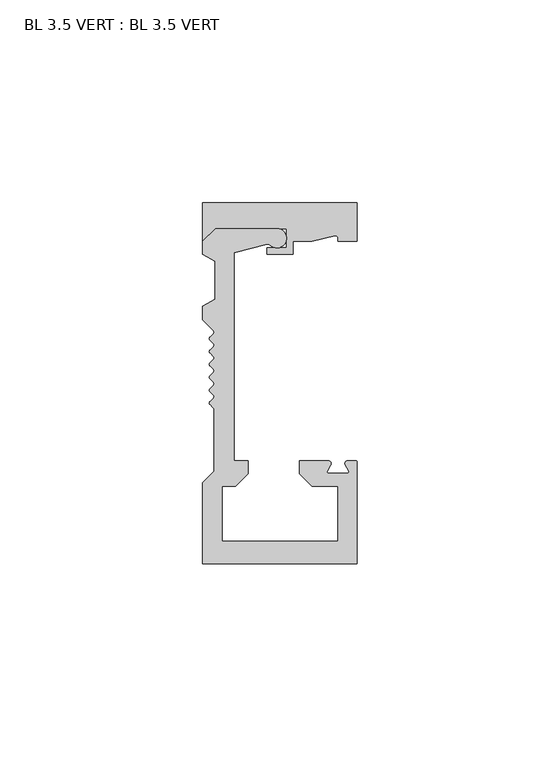
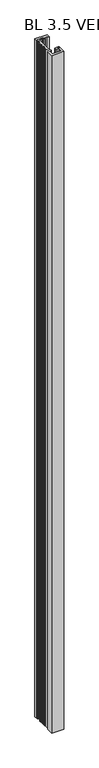
"""IFC4 building model written with IfcOpenShell, lengths in millimetres: furniture geometry, BL 3.5 VERT : BL 3.5 VERT."""

from ifc_helpers import new_model, si_unit, point, frame, frame_2d, origin, origin_with_axes, place, context, project, spatial, polyline, circle_curve, trimmed, segment, composite_curve, outline, extrude, source, transform, mapped, element, save
from ifc_brep_helpers import plane_surface, cylinder_surface, revolved_surface, advanced_brep


def bl_3_5_vert_bl_3_5_vert_a7099b3e(model_context):
    return source(origin(), model_context, "Body", "SolidModel", [
        advanced_brep(
        [(-11.28848, 32.1005075, 2209.8), (-3.1726876, 34.2751275, 2209.8), (-2.397397, 34.0655108, 2209.8), (-0.7195399, 38.090475, 2209.8), (-15.8750014, 38.1095251, 2209.8), (-19.0500017, 34.9345249, 2209.8), (-19.0500017, 31.7796548, 2209.8), (-16.03574, 30.0393701, 2209.8), (-16.03574, 20.7415796, 2209.8), (-19.0500017, 19.0012949, 2209.8), (-19.0500017, 15.5906041, 2209.8), (-16.3918334, 12.9324358, 2209.8), (-16.3918334, 12.225329, 2209.8), (-17.2722267, 11.3449358, 2209.8), (-17.2722267, 10.637829, 2209.8), (-16.3918334, 9.7574358, 2209.8), (-16.3918334, 9.050329, 2209.8), (-17.2722267, 8.1699358, 2209.8), (-17.2722267, 7.462829, 2209.8), (-16.3918334, 6.5824358, 2209.8), (-16.3918334, 5.875329, 2209.8), (-17.2722267, 4.9949358, 2209.8), (-17.2722267, 4.287829, 2209.8), (-16.3918334, 3.4074358, 2209.8), (-16.3918334, 2.700329, 2209.8), (-17.2722267, 1.8199357, 2209.8), (-17.2722267, 1.112829, 2209.8), (-16.3918334, 0.2324357, 2209.8), (-16.3918334, -0.4746711, 2209.8), (-17.2722267, -1.3550643, 2209.8), (-17.2722267, -2.0621711, 2209.8), (-16.3918334, -2.9425643, 2209.8), (-16.3918334, -3.6496711, 2209.8), (-17.2722267, -4.5300643, 2209.8), (-17.2722267, -5.2371711, 2209.8), (-16.4889971, -6.0204007, 2209.8), (-16.1961039, -6.7275074, 2209.8), (-16.1961039, -21.6536732, 2209.8), (-19.0500017, -24.507571, 2209.8), (-19.0500017, -44.4595257, 2209.8), (19.0500017, -44.4595257, 2209.8), (19.0500017, -19.5595255, 2209.8), (18.5500017, -19.0595255, 2209.8), (16.8572602, -19.0595255, 2209.8), (16.1753518, -20.2406255, 2209.8), (16.9965748, -21.6630255, 2209.8), (16.6666192, -22.2345255, 2209.8), (12.0441012, -22.2345255, 2209.8), (11.7141456, -21.6630255, 2209.8), (12.5353686, -20.2406255, 2209.8), (11.8534602, -19.0595255, 2209.8), (4.8430601, -19.0595255, 2209.8), (4.8430601, -22.3615255, 2209.8), (7.8910601, -25.4095256, 2209.8), (14.3680602, -25.4095256, 2209.8), (14.3680602, -38.9032757, 2209.8), (-14.23234, -38.9032757, 2209.8), (-14.23234, -25.4095256, 2209.8), (-10.93034, -25.4095256, 2209.8), (-7.88234, -22.3615255, 2209.8), (-7.88234, -19.0595255, 2209.8), (-11.28848, -19.0595255, 2209.8), (-11.28848, 32.1005075, 0.0), (-11.28848, -19.0595255, 0.0), (-7.88234, -19.0595255, 0.0), (-7.88234, -22.3615255, 0.0), (-10.93034, -25.4095256, 0.0), (-14.23234, -25.4095256, 0.0), (-14.23234, -38.9032757, 0.0), (14.3680602, -38.9032757, 0.0), (14.3680602, -25.4095256, 0.0), (7.8910601, -25.4095256, 0.0), (4.8430601, -22.3615255, 0.0), (4.8430601, -19.0595255, 0.0), (11.8534602, -19.0595255, 0.0), (12.5353686, -20.2406255, 0.0), (11.7141456, -21.6630255, 0.0), (12.0441012, -22.2345255, 0.0), (16.6666192, -22.2345255, 0.0), (16.9965748, -21.6630255, 0.0), (16.1753518, -20.2406255, 0.0), (16.8572602, -19.0595255, 0.0), (18.5500017, -19.0595255, 0.0), (19.0500017, -19.5595255, 0.0), (19.0500017, -44.4595257, 0.0), (-19.0500017, -44.4595257, 0.0), (-19.0500017, -24.507571, 0.0), (-16.1961039, -21.6536732, 0.0), (-16.1961039, -6.7275074, 0.0), (-16.4889971, -6.0204007, 0.0), (-17.2722267, -5.2371711, 0.0), (-17.2722267, -4.5300643, 0.0), (-16.3918334, -3.6496711, 0.0), (-16.3918334, -2.9425643, 0.0), (-17.2722267, -2.0621711, 0.0), (-17.2722267, -1.3550643, 0.0), (-16.3918334, -0.4746711, 0.0), (-16.3918334, 0.2324357, 0.0), (-17.2722267, 1.112829, 0.0), (-17.2722267, 1.8199357, 0.0), (-16.3918334, 2.700329, 0.0), (-16.3918334, 3.4074358, 0.0), (-17.2722267, 4.287829, 0.0), (-17.2722267, 4.9949358, 0.0), (-16.3918334, 5.875329, 0.0), (-16.3918334, 6.5824358, 0.0), (-17.2722267, 7.462829, 0.0), (-17.2722267, 8.1699358, 0.0), (-16.3918334, 9.050329, 0.0), (-16.3918334, 9.7574358, 0.0), (-17.2722267, 10.637829, 0.0), (-17.2722267, 11.3449358, 0.0), (-16.3918334, 12.225329, 0.0), (-16.3918334, 12.9324358, 0.0), (-19.0500017, 15.5906041, 0.0), (-19.0500017, 19.0012949, 0.0), (-16.03574, 20.7415796, 0.0), (-16.03574, 30.0393701, 0.0), (-19.0500017, 31.7796548, 0.0), (-19.0500017, 34.9345249, 0.0), (-15.8750014, 38.1095251, 0.0), (-0.7195399, 38.1095251, 0.0), (-2.397397, 34.0655108, 0.0), (-3.1726876, 34.2751275, 0.0)],
        [
            (0, 1),
            (1, 2, circle_curve(frame((-2.9656324, 33.5023869, 2209.8), z_axis=(0.0, 0.0, -1.0), x_axis=(1.0, 0.0, 0.0)), 0.8)),
            (2, 3, circle_curve(frame((-0.7195399, 35.7282749, 2209.8), z_axis=(0.0, 0.0, 1.0), x_axis=(1.0, 0.0, 0.0)), 2.3622)),
            (3, 4),
            (4, 5),
            (5, 6),
            (6, 7),
            (7, 8),
            (8, 9),
            (9, 10),
            (10, 11),
            (11, 12, circle_curve(frame((-16.7453868, 12.5788824, 2209.8), z_axis=(0.0, 0.0, -1.0), x_axis=(1.0, 0.0, 0.0)), 0.5)),
            (12, 13),
            (13, 14, circle_curve(frame((-16.9186733, 10.9913824, 2209.8), z_axis=(0.0, 0.0, 1.0), x_axis=(1.0, 0.0, 0.0)), 0.5)),
            (14, 15),
            (15, 16, circle_curve(frame((-16.7453868, 9.4038824, 2209.8), z_axis=(0.0, 0.0, -1.0), x_axis=(1.0, 0.0, 0.0)), 0.5)),
            (16, 17),
            (17, 18, circle_curve(frame((-16.9186733, 7.8163824, 2209.8), z_axis=(0.0, 0.0, 1.0), x_axis=(1.0, 0.0, 0.0)), 0.5)),
            (18, 19),
            (19, 20, circle_curve(frame((-16.7453868, 6.2288824, 2209.8), z_axis=(0.0, 0.0, -1.0), x_axis=(1.0, 0.0, 0.0)), 0.5)),
            (20, 21),
            (21, 22, circle_curve(frame((-16.9186733, 4.6413824, 2209.8), z_axis=(0.0, 0.0, 1.0), x_axis=(1.0, 0.0, 0.0)), 0.5)),
            (22, 23),
            (23, 24, circle_curve(frame((-16.7453868, 3.0538824, 2209.8), z_axis=(0.0, 0.0, -1.0), x_axis=(1.0, 0.0, 0.0)), 0.5)),
            (24, 25),
            (25, 26, circle_curve(frame((-16.9186733, 1.4663823, 2209.8), z_axis=(0.0, 0.0, 1.0), x_axis=(1.0, 0.0, 0.0)), 0.5)),
            (26, 27),
            (27, 28, circle_curve(frame((-16.7453868, -0.1211177, 2209.8), z_axis=(0.0, 0.0, -1.0), x_axis=(1.0, 0.0, 0.0)), 0.5)),
            (28, 29),
            (29, 30, circle_curve(frame((-16.9186733, -1.7086177, 2209.8), z_axis=(0.0, 0.0, 1.0), x_axis=(1.0, 0.0, 0.0)), 0.5)),
            (30, 31),
            (31, 32, circle_curve(frame((-16.7453868, -3.2961177, 2209.8), z_axis=(0.0, 0.0, -1.0), x_axis=(1.0, 0.0, 0.0)), 0.5)),
            (32, 33),
            (33, 34, circle_curve(frame((-16.9186733, -4.8836177, 2209.8), z_axis=(0.0, 0.0, 1.0), x_axis=(1.0, 0.0, 0.0)), 0.5)),
            (34, 35),
            (35, 36, circle_curve(frame((-17.1961039, -6.7275074, 2209.8), z_axis=(0.0, 0.0, -1.0), x_axis=(1.0, 0.0, 0.0)), 1.0)),
            (36, 37),
            (37, 38),
            (38, 39),
            (39, 40),
            (40, 41),
            (41, 42, circle_curve(frame((18.5500017, -19.5595255, 2209.8), z_axis=(0.0, 0.0, 1.0), x_axis=(1.0, 0.0, 0.0)), 0.5)),
            (42, 43),
            (43, 44, circle_curve(frame((16.8572602, -19.8469255, 2209.8), z_axis=(0.0, 0.0, 1.0), x_axis=(1.0, 0.0, 0.0)), 0.7874)),
            (44, 45),
            (45, 46, circle_curve(frame((16.6666192, -21.8535255, 2209.8), z_axis=(0.0, 0.0, -1.0), x_axis=(1.0, 0.0, 0.0)), 0.381)),
            (46, 47),
            (47, 48, circle_curve(frame((12.0441012, -21.8535255, 2209.8), z_axis=(0.0, 0.0, -1.0), x_axis=(1.0, 0.0, 0.0)), 0.381)),
            (48, 49),
            (49, 50, circle_curve(frame((11.8534602, -19.8469255, 2209.8), z_axis=(0.0, 0.0, 1.0), x_axis=(1.0, 0.0, 0.0)), 0.7874)),
            (50, 51),
            (51, 52),
            (52, 53),
            (53, 54),
            (54, 55),
            (55, 56),
            (56, 57),
            (57, 58),
            (58, 59),
            (59, 60),
            (60, 61),
            (61, 0),
            (62, 63),
            (63, 64),
            (64, 65),
            (65, 66),
            (66, 67),
            (67, 68),
            (68, 69),
            (69, 70),
            (70, 71),
            (71, 72),
            (72, 73),
            (73, 74),
            (74, 75, circle_curve(frame((11.8534602, -19.8469255, 0.0), z_axis=(0.0, 0.0, -1.0), x_axis=(1.0, 0.0, 0.0)), 0.7874)),
            (75, 76),
            (76, 77, circle_curve(frame((12.0441012, -21.8535255, 0.0), z_axis=(0.0, 0.0, 1.0), x_axis=(1.0, 0.0, 0.0)), 0.381)),
            (77, 78),
            (78, 79, circle_curve(frame((16.6666192, -21.8535255, 0.0), z_axis=(0.0, 0.0, 1.0), x_axis=(1.0, 0.0, 0.0)), 0.381)),
            (79, 80),
            (80, 81, circle_curve(frame((16.8572602, -19.8469255, 0.0), z_axis=(0.0, 0.0, -1.0), x_axis=(1.0, 0.0, 0.0)), 0.7874)),
            (81, 82),
            (82, 83, circle_curve(frame((18.5500017, -19.5595255, 0.0), z_axis=(0.0, 0.0, -1.0), x_axis=(1.0, 0.0, 0.0)), 0.5)),
            (83, 84),
            (84, 85),
            (85, 86),
            (86, 87),
            (87, 88),
            (88, 89, circle_curve(frame((-17.1961039, -6.7275074, 0.0), z_axis=(0.0, 0.0, 1.0), x_axis=(1.0, 0.0, 0.0)), 1.0)),
            (89, 90),
            (90, 91, circle_curve(frame((-16.9186733, -4.8836177, 0.0), z_axis=(0.0, 0.0, -1.0), x_axis=(1.0, 0.0, 0.0)), 0.5)),
            (91, 92),
            (92, 93, circle_curve(frame((-16.7453868, -3.2961177, 0.0), z_axis=(0.0, 0.0, 1.0), x_axis=(1.0, 0.0, 0.0)), 0.5)),
            (93, 94),
            (94, 95, circle_curve(frame((-16.9186733, -1.7086177, 0.0), z_axis=(0.0, 0.0, -1.0), x_axis=(1.0, 0.0, 0.0)), 0.5)),
            (95, 96),
            (96, 97, circle_curve(frame((-16.7453868, -0.1211177, 0.0), z_axis=(0.0, 0.0, 1.0), x_axis=(1.0, 0.0, 0.0)), 0.5)),
            (97, 98),
            (98, 99, circle_curve(frame((-16.9186733, 1.4663823, 0.0), z_axis=(0.0, 0.0, -1.0), x_axis=(1.0, 0.0, 0.0)), 0.5)),
            (99, 100),
            (100, 101, circle_curve(frame((-16.7453868, 3.0538824, 0.0), z_axis=(0.0, 0.0, 1.0), x_axis=(1.0, 0.0, 0.0)), 0.5)),
            (101, 102),
            (102, 103, circle_curve(frame((-16.9186733, 4.6413824, 0.0), z_axis=(0.0, 0.0, -1.0), x_axis=(1.0, 0.0, 0.0)), 0.5)),
            (103, 104),
            (104, 105, circle_curve(frame((-16.7453868, 6.2288824, 0.0), z_axis=(0.0, 0.0, 1.0), x_axis=(1.0, 0.0, 0.0)), 0.5)),
            (105, 106),
            (106, 107, circle_curve(frame((-16.9186733, 7.8163824, 0.0), z_axis=(0.0, 0.0, -1.0), x_axis=(1.0, 0.0, 0.0)), 0.5)),
            (107, 108),
            (108, 109, circle_curve(frame((-16.7453868, 9.4038824, 0.0), z_axis=(0.0, 0.0, 1.0), x_axis=(1.0, 0.0, 0.0)), 0.5)),
            (109, 110),
            (110, 111, circle_curve(frame((-16.9186733, 10.9913824, 0.0), z_axis=(0.0, 0.0, -1.0), x_axis=(1.0, 0.0, 0.0)), 0.5)),
            (111, 112),
            (112, 113, circle_curve(frame((-16.7453868, 12.5788824, 0.0), z_axis=(0.0, 0.0, 1.0), x_axis=(1.0, 0.0, 0.0)), 0.5)),
            (113, 114),
            (114, 115),
            (115, 116),
            (116, 117),
            (117, 118),
            (118, 119),
            (119, 120),
            (120, 121),
            (121, 122, circle_curve(frame((-0.7195399, 35.7282749, 0.0), z_axis=(0.0, 0.0, -1.0), x_axis=(1.0, 0.0, 0.0)), 2.3622)),
            (122, 123, circle_curve(frame((-2.9656324, 33.5023869, 0.0), z_axis=(0.0, 0.0, 1.0), x_axis=(1.0, 0.0, 0.0)), 0.8)),
            (123, 62),
            (0, 62),
            (123, 1),
            (122, 2),
            (121, 3),
            (120, 4),
            (119, 5),
            (118, 6),
            (117, 7),
            (116, 8),
            (115, 9),
            (114, 10),
            (113, 11),
            (112, 12),
            (111, 13),
            (110, 14),
            (109, 15),
            (108, 16),
            (107, 17),
            (106, 18),
            (105, 19),
            (104, 20),
            (103, 21),
            (102, 22),
            (101, 23),
            (100, 24),
            (99, 25),
            (98, 26),
            (97, 27),
            (96, 28),
            (95, 29),
            (94, 30),
            (93, 31),
            (92, 32),
            (91, 33),
            (90, 34),
            (89, 35),
            (88, 36),
            (87, 37),
            (86, 38),
            (85, 39),
            (84, 40),
            (83, 41),
            (82, 42),
            (81, 43),
            (80, 44),
            (79, 45),
            (78, 46),
            (77, 47),
            (76, 48),
            (75, 49),
            (74, 50),
            (73, 51),
            (72, 52),
            (71, 53),
            (70, 54),
            (69, 55),
            (68, 56),
            (67, 57),
            (66, 58),
            (65, 59),
            (64, 60),
            (63, 61),
        ],
        [
            plane_surface(frame((-2.9263607, 34.3411306, 2209.8), z_axis=(0.0, 0.0, 1.0), x_axis=(0.9659258262898336, 0.2588190450996645, 0.0))),
            plane_surface(frame((-2.9263607, 34.3411306, 0.0), z_axis=(0.0, 0.0, -1.0), x_axis=(-0.9659258262898336, -0.2588190450996645, 0.0))),
            plane_surface(frame((-11.28848, 32.1005075, 2209.8), z_axis=(0.2588190450996645, -0.9659258262898336, 0.0), x_axis=(0.0, 0.0, -1.0))),
            revolved_surface(polyline([(-2.1656324, 33.5023869, 0.0), (-2.1656324, 33.5023869, 2209.8)]), (-2.9656324, 33.5023869, 0.0), (0.0, 0.0, -1.0)),
            cylinder_surface(frame((-0.7195399, 35.7282749, 0.0), z_axis=(0.0, 0.0, 1.0), x_axis=(1.0, 0.0, 0.0)), 2.3622),
            plane_surface(frame((-0.7195399, 38.1095251, 2209.8), z_axis=(0.0, 1.0, 0.0), x_axis=(0.0, 0.0, -1.0))),
            plane_surface(frame((-15.8750014, 38.1095251, 2209.8), z_axis=(-0.7071067811843771, 0.7071067811887181, 0.0), x_axis=(0.0, 0.0, -1.0))),
            plane_surface(frame((-19.0500017, 34.9345249, 2209.8), z_axis=(-1.0, 0.0, 0.0), x_axis=(0.0, 0.0, -1.0))),
            plane_surface(frame((-19.0500017, 31.7796548, 2209.8), z_axis=(-0.5000000000024841, -0.8660254037830044, 0.0), x_axis=(0.0, 0.0, -1.0))),
            plane_surface(frame((-16.03574, 30.0393701, 2209.8), z_axis=(-1.0, 0.0, 0.0), x_axis=(0.0, 0.0, -1.0))),
            plane_surface(frame((-16.03574, 20.7415796, 2209.8), z_axis=(-0.5000000000024832, 0.8660254037830051, 0.0), x_axis=(0.0, 0.0, -1.0))),
            plane_surface(frame((-19.0500017, 19.0012949, 2209.8), z_axis=(-1.0, 0.0, 0.0), x_axis=(0.0, 0.0, -1.0))),
            plane_surface(frame((-19.0500017, 15.5906041, 2209.8), z_axis=(-0.7071067811868401, -0.707106781186255, 0.0), x_axis=(0.0, 0.0, -1.0))),
            revolved_surface(polyline([(-16.2453868, 12.5788824, 0.0), (-16.2453868, 12.5788824, 2209.8)]), (-16.7453868, 12.5788824, 0.0), (0.0, 0.0, -1.0)),
            plane_surface(frame((-16.3918334, 12.225329, 2209.8), z_axis=(-0.707106780584125, 0.7071067817889701, 0.0), x_axis=(0.0, 0.0, -1.0))),
            cylinder_surface(frame((-16.9186733, 10.9913824, 0.0), z_axis=(0.0, 0.0, 1.0), x_axis=(1.0, 0.0, 0.0)), 0.5),
            plane_surface(frame((-17.2722267, 10.637829, 2209.8), z_axis=(-0.7071067808116489, -0.7071067815614462, 0.0), x_axis=(0.0, 0.0, -1.0))),
            revolved_surface(polyline([(-16.2453868, 9.4038824, 0.0), (-16.2453868, 9.4038824, 2209.8)]), (-16.7453868, 9.4038824, 0.0), (0.0, 0.0, -1.0)),
            plane_surface(frame((-16.3918334, 9.050329, 2209.8), z_axis=(-0.7071067822715371, 0.707106780101558, 0.0), x_axis=(0.0, 0.0, -1.0))),
            cylinder_surface(frame((-16.9186733, 7.8163824, 0.0), z_axis=(0.0, 0.0, 1.0), x_axis=(1.0, 0.0, 0.0)), 0.5),
            plane_surface(frame((-17.2722267, 7.462829, 2209.8), z_axis=(-0.7071067806206434, -0.7071067817524517, 0.0), x_axis=(0.0, 0.0, -1.0))),
            revolved_surface(polyline([(-16.2453868, 6.2288824, 0.0), (-16.2453868, 6.2288824, 2209.8)]), (-16.7453868, 6.2288824, 0.0), (0.0, 0.0, -1.0)),
            plane_surface(frame((-16.3918334, 5.875329, 2209.8), z_axis=(-0.7071067804724426, 0.7071067819006525, 0.0), x_axis=(0.0, 0.0, -1.0))),
            cylinder_surface(frame((-16.9186733, 4.6413824, 0.0), z_axis=(0.0, 0.0, 1.0), x_axis=(1.0, 0.0, 0.0)), 0.5),
            plane_surface(frame((-17.2722267, 4.287829, 2209.8), z_axis=(-0.7071067794341835, -0.7071067829389115, 0.0), x_axis=(0.0, 0.0, -1.0))),
            revolved_surface(polyline([(-16.2453868, 3.0538824, 0.0), (-16.2453868, 3.0538824, 2209.8)]), (-16.7453868, 3.0538824, 0.0), (0.0, 0.0, -1.0)),
            plane_surface(frame((-16.3918334, 2.700329, 2209.8), z_axis=(-0.7071067819741493, 0.7071067803989457, 0.0), x_axis=(0.0, 0.0, -1.0))),
            cylinder_surface(frame((-16.9186733, 1.4663823, 0.0), z_axis=(0.0, 0.0, 1.0), x_axis=(1.0, 0.0, 0.0)), 0.5),
            plane_surface(frame((-17.2722267, 1.112829, 2209.8), z_axis=(-0.7071067855469023, -0.7071067768261927, 0.0), x_axis=(0.0, 0.0, -1.0))),
            revolved_surface(polyline([(-16.2453868, -0.1211177, 0.0), (-16.2453868, -0.1211177, 2209.8)]), (-16.7453868, -0.1211177, 0.0), (0.0, 0.0, -1.0)),
            plane_surface(frame((-16.3918334, -0.4746711, 2209.8), z_axis=(-0.7071067815228119, 0.7071067808502832, 0.0), x_axis=(0.0, 0.0, -1.0))),
            cylinder_surface(frame((-16.9186733, -1.7086177, 0.0), z_axis=(0.0, 0.0, 1.0), x_axis=(1.0, 0.0, 0.0)), 0.5),
            plane_surface(frame((-17.2722267, -2.0621711, 2209.8), z_axis=(-0.7071067790960992, -0.7071067832769959, 0.0), x_axis=(0.0, 0.0, -1.0))),
            revolved_surface(polyline([(-16.2453868, -3.2961177, 0.0), (-16.2453868, -3.2961177, 2209.8)]), (-16.7453868, -3.2961177, 0.0), (0.0, 0.0, -1.0)),
            plane_surface(frame((-16.3918334, -3.6496711, 2209.8), z_axis=(-0.7071067807309434, 0.7071067816421517, 0.0), x_axis=(0.0, 0.0, -1.0))),
            cylinder_surface(frame((-16.9186733, -4.8836177, 0.0), z_axis=(0.0, 0.0, 1.0), x_axis=(1.0, 0.0, 0.0)), 0.5),
            plane_surface(frame((-17.2722267, -5.2371711, 2209.8), z_axis=(-0.7071067805608034, -0.7071067818122917, 0.0), x_axis=(0.0, 0.0, -1.0))),
            revolved_surface(polyline([(-16.1961039, -6.7275074, 0.0), (-16.1961039, -6.7275074, 2209.8)]), (-17.1961039, -6.7275074, 0.0), (0.0, 0.0, -1.0)),
            plane_surface(frame((-16.1961039, -6.7275074, 2209.8), z_axis=(-1.0, 0.0, 0.0), x_axis=(0.0, 0.0, -1.0))),
            plane_surface(frame((-16.1961039, -21.6536732, 2209.8), z_axis=(-0.7071067811898468, 0.7071067811832483, 0.0), x_axis=(0.0, 0.0, -1.0))),
            plane_surface(frame((-19.0500017, -24.507571, 2209.8), z_axis=(-1.0, 0.0, 0.0), x_axis=(0.0, 0.0, -1.0))),
            plane_surface(frame((-19.0500017, -44.4595257, 2209.8), z_axis=(0.0, -1.0, 0.0), x_axis=(0.0, 0.0, -1.0))),
            plane_surface(frame((19.0500017, -44.4595257, 2209.8), z_axis=(1.0, 0.0, 0.0), x_axis=(0.0, 0.0, -1.0))),
            cylinder_surface(frame((18.5500017, -19.5595255, 0.0), z_axis=(0.0, 0.0, 1.0), x_axis=(1.0, 0.0, 0.0)), 0.5),
            plane_surface(frame((18.5500017, -19.0595255, 2209.8), z_axis=(6.397120607996362e-12, 1.0, 0.0), x_axis=(0.0, 0.0, -1.0))),
            cylinder_surface(frame((16.8572602, -19.8469255, 0.0), z_axis=(0.0, 0.0, 1.0), x_axis=(1.0, 0.0, 0.0)), 0.7874),
            plane_surface(frame((16.1753518, -20.2406255, 2209.8), z_axis=(-0.866025403790021, -0.49999999999033123, 0.0), x_axis=(0.0, 0.0, -1.0))),
            revolved_surface(polyline([(17.0476192, -21.8535255, 0.0), (17.0476192, -21.8535255, 2209.8)]), (16.6666192, -21.8535255, 0.0), (0.0, 0.0, -1.0)),
            plane_surface(frame((16.6666192, -22.2345255, 2209.8), z_axis=(-1.4055549138679522e-12, 1.0, 0.0), x_axis=(0.0, 0.0, -1.0))),
            revolved_surface(polyline([(12.4251012, -21.8535255, 0.0), (12.4251012, -21.8535255, 2209.8)]), (12.0441012, -21.8535255, 0.0), (0.0, 0.0, -1.0)),
            plane_surface(frame((11.7141456, -21.6630255, 2209.8), z_axis=(0.8660254037870078, -0.4999999999955502, 0.0), x_axis=(0.0, 0.0, -1.0))),
            cylinder_surface(frame((11.8534602, -19.8469255, 0.0), z_axis=(0.0, 0.0, 1.0), x_axis=(1.0, 0.0, 0.0)), 0.7874),
            plane_surface(frame((11.8534602, -19.0595255, 2209.8), z_axis=(0.0, 1.0, 0.0), x_axis=(0.0, 0.0, -1.0))),
            plane_surface(frame((4.8430601, -19.0595255, 2209.8), z_axis=(-1.0, 0.0, 0.0), x_axis=(0.0, 0.0, -1.0))),
            plane_surface(frame((4.8430601, -22.3615255, 2209.8), z_axis=(-0.7071067811867987, -0.7071067811862963, 0.0), x_axis=(0.0, 0.0, -1.0))),
            plane_surface(frame((7.8910601, -25.4095256, 2209.8), z_axis=(0.0, -1.0, 0.0), x_axis=(0.0, 0.0, -1.0))),
            plane_surface(frame((14.3680602, -25.4095256, 2209.8), z_axis=(-1.0, 0.0, 0.0), x_axis=(0.0, 0.0, -1.0))),
            plane_surface(frame((14.3680602, -38.9032757, 2209.8), z_axis=(0.0, 1.0, 0.0), x_axis=(0.0, 0.0, -1.0))),
            plane_surface(frame((-14.23234, -38.9032757, 2209.8), z_axis=(1.0, 0.0, 0.0), x_axis=(0.0, 0.0, -1.0))),
            plane_surface(frame((-14.23234, -25.4095256, 2209.8), z_axis=(0.0, -1.0, 0.0), x_axis=(0.0, 0.0, -1.0))),
            plane_surface(frame((-10.93034, -25.4095256, 2209.8), z_axis=(0.7071067811807693, -0.7071067811923257, 0.0), x_axis=(0.0, 0.0, -1.0))),
            plane_surface(frame((-7.88234, -22.3615255, 2209.8), z_axis=(1.0, 0.0, 0.0), x_axis=(0.0, 0.0, -1.0))),
            plane_surface(frame((-7.88234, -19.0595255, 2209.8), z_axis=(0.0, 1.0, 0.0), x_axis=(0.0, 0.0, -1.0))),
            plane_surface(frame((-11.28848, -19.0595255, 2209.8), z_axis=(1.0, 0.0, 0.0), x_axis=(0.0, 0.0, -1.0))),
        ],
        [
            (0, [[1, 2, 3, 4, 5, 6, 7, 8, 9, 10, 11, 12, 13, 14, 15, 16, 17, 18, 19, 20, 21, 22, 23, 24, 25, 26, 27, 28, 29, 30, 31, 32, 33, 34, 35, 36, 37, 38, 39, 40, 41, 42, 43, 44, 45, 46, 47, 48, 49, 50, 51, 52, 53, 54, 55, 56, 57, 58, 59, 60, 61, 62]]),
            (1, [[63, 64, 65, 66, 67, 68, 69, 70, 71, 72, 73, 74, 75, 76, 77, 78, 79, 80, 81, 82, 83, 84, 85, 86, 87, 88, 89, 90, 91, 92, 93, 94, 95, 96, 97, 98, 99, 100, 101, 102, 103, 104, 105, 106, 107, 108, 109, 110, 111, 112, 113, 114, 115, 116, 117, 118, 119, 120, 121, 122, 123, 124]]),
            (2, [[-1, 125, -124, 126]]),
            (3, [[-2, -126, -123, 127]]),
            (4, [[-3, -127, -122, 128]]),
            (5, [[-4, -128, -121, 129]]),
            (6, [[-5, -129, -120, 130]]),
            (7, [[-6, -130, -119, 131]]),
            (8, [[-7, -131, -118, 132]]),
            (9, [[-8, -132, -117, 133]]),
            (10, [[-9, -133, -116, 134]]),
            (11, [[-10, -134, -115, 135]]),
            (12, [[-11, -135, -114, 136]]),
            (13, [[-12, -136, -113, 137]]),
            (14, [[-13, -137, -112, 138]]),
            (15, [[-14, -138, -111, 139]]),
            (16, [[-15, -139, -110, 140]]),
            (17, [[-16, -140, -109, 141]]),
            (18, [[-17, -141, -108, 142]]),
            (19, [[-18, -142, -107, 143]]),
            (20, [[-19, -143, -106, 144]]),
            (21, [[-20, -144, -105, 145]]),
            (22, [[-21, -145, -104, 146]]),
            (23, [[-22, -146, -103, 147]]),
            (24, [[-23, -147, -102, 148]]),
            (25, [[-24, -148, -101, 149]]),
            (26, [[-25, -149, -100, 150]]),
            (27, [[-26, -150, -99, 151]]),
            (28, [[-27, -151, -98, 152]]),
            (29, [[-28, -152, -97, 153]]),
            (30, [[-29, -153, -96, 154]]),
            (31, [[-30, -154, -95, 155]]),
            (32, [[-31, -155, -94, 156]]),
            (33, [[-32, -156, -93, 157]]),
            (34, [[-33, -157, -92, 158]]),
            (35, [[-34, -158, -91, 159]]),
            (36, [[-35, -159, -90, 160]]),
            (37, [[-36, -160, -89, 161]]),
            (38, [[-37, -161, -88, 162]]),
            (39, [[-38, -162, -87, 163]]),
            (40, [[-39, -163, -86, 164]]),
            (41, [[-40, -164, -85, 165]]),
            (42, [[-41, -165, -84, 166]]),
            (43, [[-42, -166, -83, 167]]),
            (44, [[-43, -167, -82, 168]]),
            (45, [[-44, -168, -81, 169]]),
            (46, [[-45, -169, -80, 170]]),
            (47, [[-46, -170, -79, 171]]),
            (48, [[-47, -171, -78, 172]]),
            (49, [[-48, -172, -77, 173]]),
            (50, [[-49, -173, -76, 174]]),
            (51, [[-50, -174, -75, 175]]),
            (52, [[-51, -175, -74, 176]]),
            (53, [[-52, -176, -73, 177]]),
            (54, [[-53, -177, -72, 178]]),
            (55, [[-54, -178, -71, 179]]),
            (56, [[-55, -179, -70, 180]]),
            (57, [[-56, -180, -69, 181]]),
            (58, [[-57, -181, -68, 182]]),
            (59, [[-58, -182, -67, 183]]),
            (60, [[-59, -183, -66, 184]]),
            (61, [[-60, -184, -65, 185]]),
            (62, [[-61, -185, -64, 186]]),
            (63, [[-62, -186, -63, -125]]),
        ],
    ),
        extrude(outline(composite_curve([segment(polyline([(-19.0500017, 44.4595257), (19.0500017, 44.4595257), (19.0500017, 34.9345249), (14.2875013, 34.9345249), (14.2875013, 35.8453962)]), True, "CONTINUOUS"), segment(trimmed(circle_curve(frame_2d((13.7592055, 35.8453962)), 0.5282958), [point((14.2875013, 35.8453962))], [point((13.6310749, 36.3579184))], True, "CARTESIAN"), True, "CONTINUOUS"), segment(polyline([(13.6310749, 36.3579184), (7.9375007, 34.9345249), (3.2301602, 34.9345249), (3.2301602, 31.7362356), (-3.1198403, 31.7362356), (-3.1198403, 33.3470247), (1.6426601, 33.3470247), (1.6426601, 38.1095251), (-15.8750014, 38.1095251), (-19.0500017, 34.9345249), (-19.0500017, 44.4595257)]), True, "CONTINUOUS")], self_intersect=False)), origin_with_axes(), (0.0, 0.0, 1.0), 2209.8),
    ])


if __name__ == "__main__":
    model = new_model("IFC4")
    model_context = context("Model", 3, world=origin())
    ifc_project = project(units=[si_unit("LENGTHUNIT", "METRE", prefix="MILLI")], contexts=[model_context])
    site = spatial("IfcSite", under=ifc_project)
    building = spatial("IfcBuilding", under=site)
    placement = place(None, origin())
    bl_3_5_vert_bl_3_5_vert_shape = bl_3_5_vert_bl_3_5_vert_a7099b3e(model_context)
    element("IfcFurniture", 1, ObjectType="BL 3.5 VERT : BL 3.5 VERT", at=placement, inside=building, context=model_context, shape_type="MappedRepresentation", body=[
        mapped(bl_3_5_vert_bl_3_5_vert_shape, transform((0.0, 0.0, 0.0), x_axis=(1.0, 0.0, 0.0), y_axis=(0.0, 1.0, 0.0), z_axis=(0.0, 0.0, 1.0))),
    ])
    save(model, "model.ifc")
